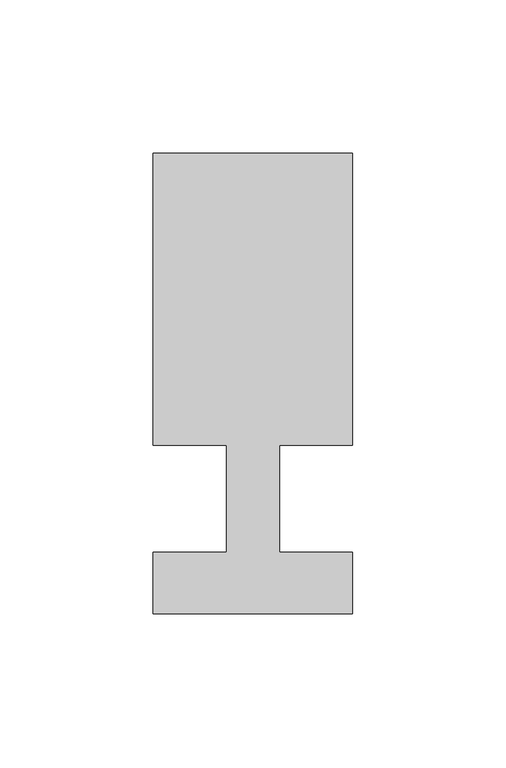
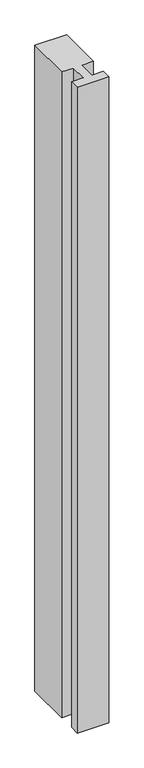
"""IFC4 building model written with IfcOpenShell, lengths in millimetres: member geometry."""

from ifc_helpers import new_model, si_unit, frame, origin, place, context, project, spatial, polyline, outline, extrude, source, transform, mapped, element, save


def member_ac59be58(model_context):
    return source(origin(), model_context, "Body", "SweptSolid", [
        extrude(outline(polyline([(0.0, -37.0), (-65.0, -37.0), (-65.0, -17.0), (-41.1875, -17.0), (-41.1875, 18.0), (-65.0, 18.0), (-65.0, 113.0), (0.0, 113.0), (0.0, 18.0), (-23.8125, 18.0), (-23.8125, -17.0), (0.0, -17.0), (0.0, -37.0)])), frame((0.0, 0.0, -1400.0), z_axis=(0.0, 0.0, 1.0), x_axis=(1.0, 0.0, 0.0)), (0.0, 0.0, 1.0), 1400.0),
    ])


if __name__ == "__main__":
    model = new_model("IFC4")
    model_context = context("Model", 3, world=origin())
    ifc_project = project(units=[si_unit("LENGTHUNIT", "METRE", prefix="MILLI")], contexts=[model_context])
    site = spatial("IfcSite", under=ifc_project)
    building = spatial("IfcBuilding", under=site)
    placement = place(None, origin())
    member_shape = member_ac59be58(model_context)
    element("IfcMember", 1, at=placement, inside=building, context=model_context, shape_type="MappedRepresentation", body=[
        mapped(member_shape, transform((0.0, 0.0, 0.0), x_axis=(1.0, 0.0, 0.0), y_axis=(0.0, 1.0, 0.0), z_axis=(0.0, 0.0, 1.0))),
    ])
    save(model, "model.ifc")
